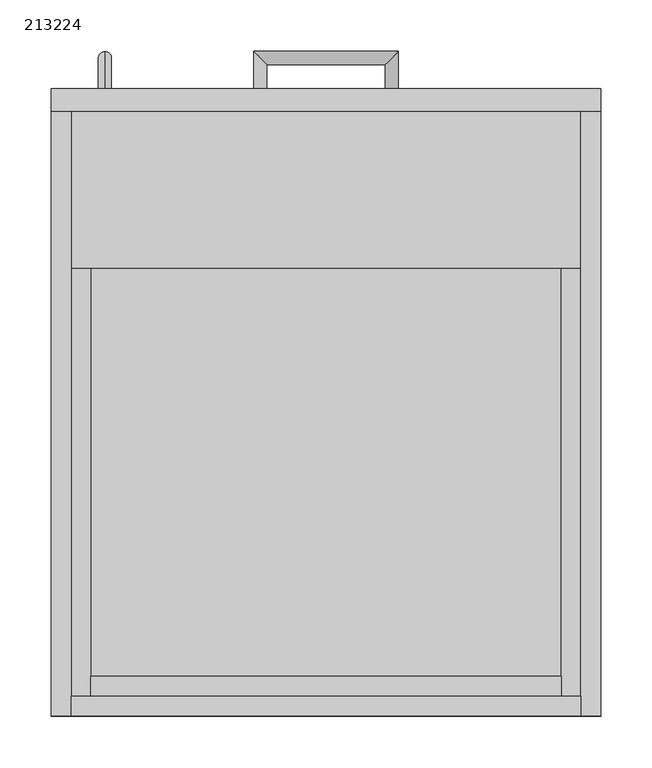
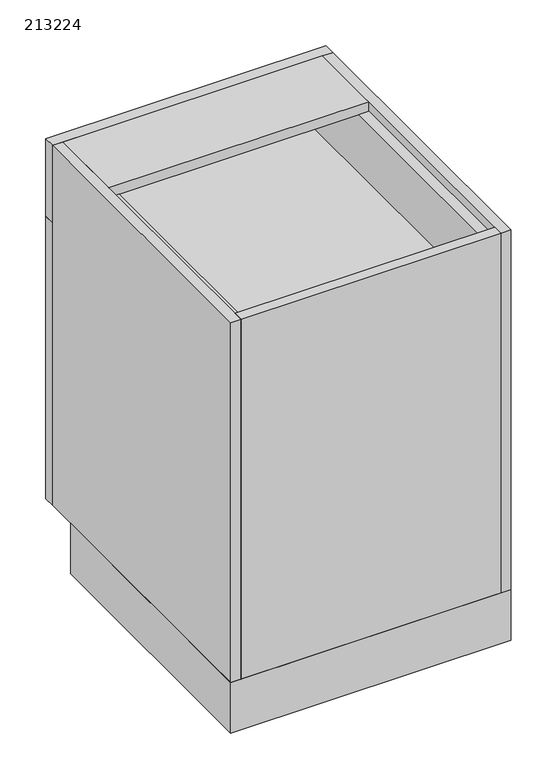
"""IFC4 building model written with IfcOpenShell, lengths in millimetres: furniture geometry, 213224."""

from ifc_helpers import new_model, si_unit, frame, origin, origin_with_axes, place, context, project, spatial, polyline, circle_curve, ellipse_curve, outline, extrude, source, transform, mapped, element, save
from ifc_brep_helpers import plane_surface, cylinder_surface, advanced_brep


def furniture_213224_e9d8c78d(model_context):
    return source(origin(), model_context, "Body", "SolidModel", [
        extrude(outline(polyline([(-209.5622951, 19.2), (-209.5622951, 38.4), (247.0377049, 38.4), (247.0377049, 19.2), (-209.5622951, 19.2)])), frame((0.0, 0.0, 689.125), z_axis=(0.0, 0.0, 1.0), x_axis=(1.0, 0.0, 0.0)), (0.0, 0.0, 1.0), 117.175),
        extrude(outline(polyline([(806.3, -228.7622951), (669.925, -228.7622951), (669.925, 266.2377049), (806.3, 266.2377049), (806.3, 247.0377049), (689.125, 247.0377049), (689.125, -209.5622951), (806.3, -209.5622951), (806.3, -228.7622951)])), frame((0.0, 19.2, 0.0), z_axis=(0.0, 1.0, 0.0), x_axis=(0.0, 0.0, 1.0)), (0.0, 0.0, 1.0), 568.4),
        extrude(outline(polyline([(-247.9622951, 0.0), (-247.9622951, 528.6), (285.4377049, 528.6), (285.4377049, 0.0), (-247.9622951, 0.0)]), holes=[polyline([(-228.7622951, 509.4), (-228.7622951, 19.2), (266.2377049, 19.2), (266.2377049, 509.4), (-228.7622951, 509.4)])]), origin_with_axes(), (0.0, 0.0, 1.0), 101.5996875),
        extrude(outline(polyline([(266.2377049, 587.6), (266.2377049, 19.2), (-228.7622951, 19.2), (-228.7622951, 587.6), (266.2377049, 587.6)])), frame((0.0, 0.0, 101.5996875), z_axis=(0.0, 0.0, 1.0), x_axis=(1.0, 0.0, 0.0)), (0.0, 0.0, 1.0), 19.2),
        extrude(outline(polyline([(266.2377049, 0.0), (-228.7622951, 0.0), (-228.7622951, 19.2), (266.2377049, 19.2), (266.2377049, 0.0)])), frame((0.0, 0.0, 101.5996875), z_axis=(0.0, 0.0, 1.0), x_axis=(1.0, 0.0, 0.0)), (0.0, 0.0, 1.0), 723.9003125),
        extrude(outline(polyline([(-228.7622951, 0.0), (-247.9622951, 0.0), (-247.9622951, 587.6), (-228.7622951, 587.6), (-228.7622951, 0.0)])), frame((0.0, 0.0, 101.5996875), z_axis=(0.0, 0.0, 1.0), x_axis=(1.0, 0.0, 0.0)), (0.0, 0.0, 1.0), 723.9003125),
        extrude(outline(polyline([(285.4377049, 0.0), (266.2377049, 0.0), (266.2377049, 587.6), (285.4377049, 587.6), (285.4377049, 0.0)])), frame((0.0, 0.0, 101.5996875), z_axis=(0.0, 0.0, 1.0), x_axis=(1.0, 0.0, 0.0)), (0.0, 0.0, 1.0), 723.9003125),
        extrude(outline(polyline([(-228.7622951, 587.6), (266.2377049, 587.6), (266.2377049, 435.2), (-228.7622951, 435.2), (-228.7622951, 587.6)])), frame((0.0, 0.0, 806.3), z_axis=(0.0, 0.0, 1.0), x_axis=(1.0, 0.0, 0.0)), (0.0, 0.0, 1.0), 19.2),
        extrude(outline(polyline([(266.2377049, 19.2), (-228.7622951, 19.2), (-228.7622951, 587.6), (266.2377049, 587.6), (266.2377049, 19.2)])), frame((0.0, 0.0, 385.7623437), z_axis=(0.0, 0.0, 1.0), x_axis=(1.0, 0.0, 0.0)), (0.0, 0.0, 1.0), 19.2),
        advanced_brep(
        [(-195.9622951, 609.6, 551.575), (-195.9622951, 609.6, 564.275), (-195.9622951, 645.95, 564.275), (-195.9622951, 633.25, 551.575), (-195.9622951, 645.95, 423.575), (-195.9622951, 633.25, 436.275), (-195.9622951, 609.6, 436.275), (-195.9622951, 609.6, 423.575)],
        [
            (0, 1, circle_curve(frame((-195.9622951, 609.6, 557.925), z_axis=(0.0, -1.0, 0.0), x_axis=(0.0, 0.0, 1.0)), 6.35)),
            (1, 0, circle_curve(frame((-195.9622951, 609.6, 557.925), z_axis=(0.0, -1.0, 0.0), x_axis=(0.0, 0.0, 1.0)), 6.35)),
            (1, 2),
            (2, 3, ellipse_curve(frame((-195.9622951, 639.6, 557.925), z_axis=(0.0, -0.7071067811865475, 0.7071067811865475), x_axis=(0.0, -0.7071067811865476, -0.7071067811865474)), 8.9802561, 6.35)),
            (3, 0),
            (3, 2, ellipse_curve(frame((-195.9622951, 639.6, 557.925), z_axis=(0.0, -0.7071067811865475, 0.7071067811865475), x_axis=(0.0, -0.7071067811865476, -0.7071067811865474)), 8.9802561, 6.35)),
            (2, 4),
            (4, 5, ellipse_curve(frame((-195.9622951, 639.6, 429.925), z_axis=(0.0, 0.7071067811865475, 0.7071067811865475), x_axis=(0.0, -0.7071067811865474, 0.7071067811865476)), 8.9802561, 6.35)),
            (5, 3),
            (5, 4, ellipse_curve(frame((-195.9622951, 639.6, 429.925), z_axis=(0.0, 0.7071067811865475, 0.7071067811865475), x_axis=(0.0, -0.7071067811865474, 0.7071067811865476)), 8.9802561, 6.35)),
            (6, 7, circle_curve(frame((-195.9622951, 609.6, 429.925), z_axis=(0.0, -1.0, 0.0), x_axis=(0.0, 0.0, -1.0)), 6.35)),
            (7, 6, circle_curve(frame((-195.9622951, 609.6, 429.925), z_axis=(0.0, -1.0, 0.0), x_axis=(0.0, 0.0, -1.0)), 6.35)),
            (4, 7),
            (6, 5),
        ],
        [
            plane_surface(frame((-195.9622951, 609.6, 557.925), z_axis=(0.0, -1.0, 0.0), x_axis=(-1.0, 0.0, 0.0))),
            cylinder_surface(frame((-195.9622951, 609.6, 557.925), z_axis=(0.0, -1.0, 0.0), x_axis=(0.0, 0.0, 1.0)), 6.35),
            cylinder_surface(frame((-195.9622951, 639.6, 557.925), z_axis=(0.0, 0.0, 1.0), x_axis=(0.0, 1.0, 0.0)), 6.35),
            plane_surface(frame((-195.9622951, 609.6, 429.925), z_axis=(0.0, -1.0, 0.0), x_axis=(-1.0, 0.0, 0.0))),
            cylinder_surface(frame((-195.9622951, 639.6, 429.925), z_axis=(0.0, 1.0, 0.0), x_axis=(0.0, 0.0, -1.0)), 6.35),
        ],
        [
            (0, [[1, 2]]),
            (1, [[3, 4, 5, -2]]),
            (1, [[-5, 6, -3, -1]]),
            (2, [[7, 8, 9, -4]]),
            (2, [[-9, 10, -7, -6]]),
            (3, [[11, 12]]),
            (4, [[13, -11, 14, -8]]),
            (4, [[-14, -12, -13, -10]]),
        ],
    ),
        advanced_brep(
        [(-51.6122951, 609.6, 747.7125), (-38.9122951, 609.6, 747.7125), (-38.9122951, 633.25, 747.7125), (-51.6122951, 645.95, 747.7125), (76.3877049, 633.25, 747.7125), (89.0877049, 645.95, 747.7125), (89.0877049, 609.6, 747.7125), (76.3877049, 609.6, 747.7125)],
        [
            (0, 1, circle_curve(frame((-45.2622951, 609.6, 747.7125), z_axis=(0.0, -1.0, 0.0), x_axis=(1.0, 0.0, 0.0)), 6.35)),
            (1, 0, circle_curve(frame((-45.2622951, 609.6, 747.7125), z_axis=(0.0, -1.0, 0.0), x_axis=(1.0, 0.0, 0.0)), 6.35)),
            (1, 2),
            (2, 3, ellipse_curve(frame((-45.2622951, 639.6, 747.7125), z_axis=(-0.7071067811865475, -0.7071067811865475, 0.0), x_axis=(0.7071067811865474, -0.7071067811865476, 0.0)), 8.9802561, 6.35)),
            (3, 0),
            (3, 2, ellipse_curve(frame((-45.2622951, 639.6, 747.7125), z_axis=(-0.7071067811865475, -0.7071067811865475, 0.0), x_axis=(0.7071067811865474, -0.7071067811865476, 0.0)), 8.9802561, 6.35)),
            (2, 4),
            (4, 5, ellipse_curve(frame((82.7377049, 639.6, 747.7125), z_axis=(-0.7071067811865475, 0.7071067811865475, 0.0), x_axis=(-0.7071067811865476, -0.7071067811865474, 0.0)), 8.9802561, 6.35)),
            (5, 3),
            (5, 4, ellipse_curve(frame((82.7377049, 639.6, 747.7125), z_axis=(-0.7071067811865475, 0.7071067811865475, 0.0), x_axis=(-0.7071067811865476, -0.7071067811865474, 0.0)), 8.9802561, 6.35)),
            (6, 7, circle_curve(frame((82.7377049, 609.6, 747.7125), z_axis=(0.0, -1.0, 0.0), x_axis=(-1.0, 0.0, 0.0)), 6.35)),
            (7, 6, circle_curve(frame((82.7377049, 609.6, 747.7125), z_axis=(0.0, -1.0, 0.0), x_axis=(-1.0, 0.0, 0.0)), 6.35)),
            (4, 7),
            (6, 5),
        ],
        [
            plane_surface(frame((-45.2622951, 609.6, 747.7125), z_axis=(0.0, -1.0, 0.0), x_axis=(0.0, 0.0, 1.0))),
            cylinder_surface(frame((-45.2622951, 609.6, 747.7125), z_axis=(0.0, -1.0, 0.0), x_axis=(1.0, 0.0, 0.0)), 6.35),
            cylinder_surface(frame((-45.2622951, 639.6, 747.7125), z_axis=(-1.0, 0.0, 0.0), x_axis=(0.0, -1.0, 0.0)), 6.35),
            plane_surface(frame((82.7377049, 609.6, 747.7125), z_axis=(0.0, -1.0, 0.0), x_axis=(0.0, 0.0, 1.0))),
            cylinder_surface(frame((82.7377049, 639.6, 747.7125), z_axis=(0.0, 1.0, 0.0), x_axis=(-1.0, 0.0, 0.0)), 6.35),
        ],
        [
            (0, [[1, 2]]),
            (1, [[3, 4, 5, -2]]),
            (1, [[-5, 6, -3, -1]]),
            (2, [[7, 8, 9, -4]]),
            (2, [[-9, 10, -7, -6]]),
            (3, [[11, 12]]),
            (4, [[13, -11, 14, -8]]),
            (4, [[-14, -12, -13, -10]]),
        ],
    ),
        extrude(outline(polyline([(-247.9622951, 609.6), (285.4377049, 609.6), (285.4377049, 587.6), (-247.9622951, 587.6), (-247.9622951, 609.6)])), frame((0.0, 0.0, 669.925), z_axis=(0.0, 0.0, 1.0), x_axis=(1.0, 0.0, 0.0)), (0.0, 0.0, 1.0), 155.575),
        extrude(outline(polyline([(-247.9622951, 587.6), (-247.9622951, 609.6), (285.4377049, 609.6), (285.4377049, 587.6), (-247.9622951, 587.6)])), frame((0.0, 0.0, 101.5996875), z_axis=(0.0, 0.0, 1.0), x_axis=(1.0, 0.0, 0.0)), (0.0, 0.0, 1.0), 568.3253125),
    ])


if __name__ == "__main__":
    model = new_model("IFC4")
    model_context = context("Model", 3, world=origin())
    ifc_project = project(units=[si_unit("LENGTHUNIT", "METRE", prefix="MILLI")], contexts=[model_context])
    site = spatial("IfcSite", under=ifc_project)
    building = spatial("IfcBuilding", under=site)
    placement = place(None, origin())
    furniture_213224_shape = furniture_213224_e9d8c78d(model_context)
    element("IfcFurniture", 1, ObjectType="213224", at=placement, inside=building, context=model_context, shape_type="MappedRepresentation", body=[
        mapped(furniture_213224_shape, transform((0.0, 0.0, 0.0), x_axis=(1.0, 0.0, 0.0), y_axis=(0.0, 1.0, 0.0), z_axis=(0.0, 0.0, 1.0))),
    ])
    save(model, "model.ifc")
